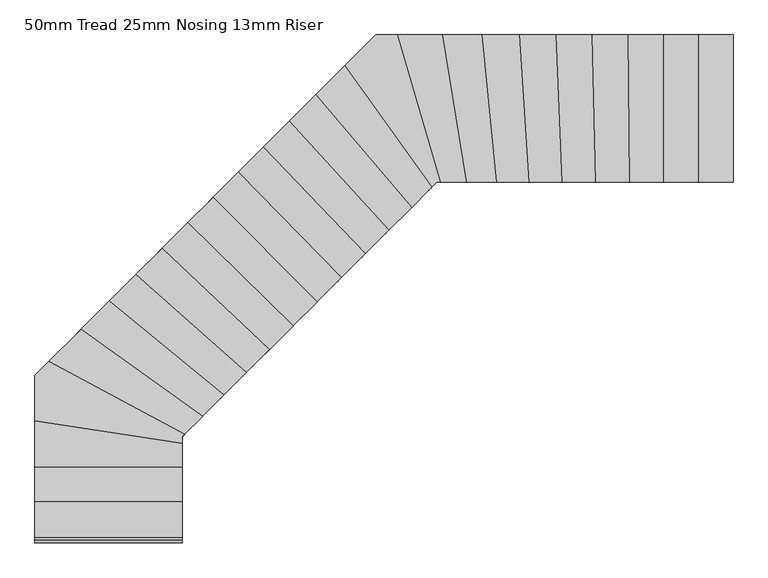
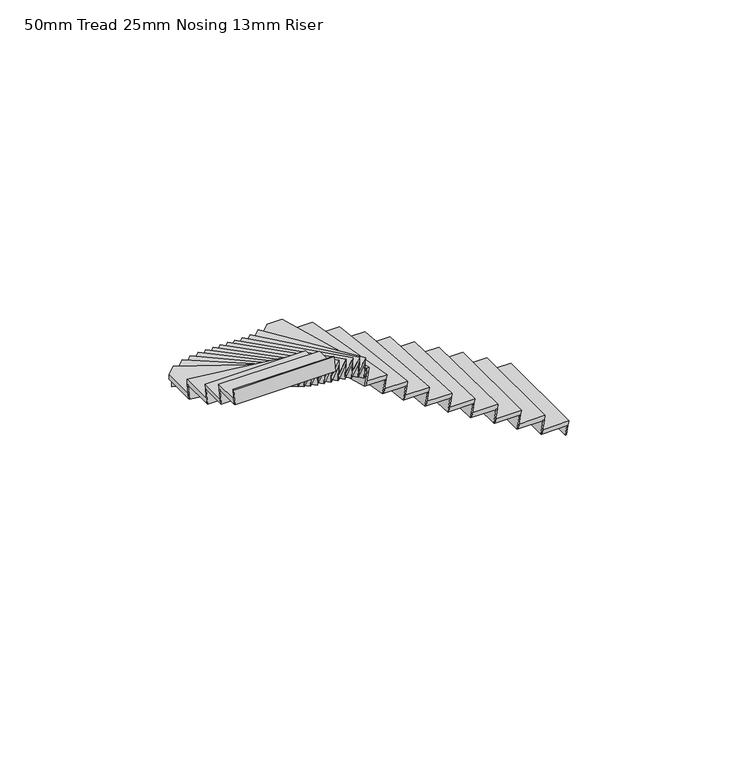
"""IFC4 building model written with IfcOpenShell, lengths in millimetres: stair flight geometry, 50mm Tread 25mm Nosing 13mm Riser."""

from ifc_helpers import new_model, si_unit, origin, place, context, project, spatial, faceted_brep, source, transform, mapped, element, save


def stair_flight_50mm_tread_25mm_nosing_13mm_riser_a0ecd1e4(model_context):
    return source(origin(), model_context, "Body", "Brep", [
        faceted_brep([(5084.2883148, -162.0, 153.8461538), (5076.1633148, -162.0, 103.8461538), (5076.1633148, -1262.0, 103.8461538), (5084.2883148, -1262.0, 153.8461538), (5369.2883148, -1262.0, 153.8461538), (5369.2883148, -162.0, 153.8461538), (5361.1633148, -162.0, 103.8461538), (5361.1633148, -1262.0, 103.8461538)], [[[0, 1, 2, 3]], [[3, 4, 5, 0]], [[2, 1, 6, 7]], [[0, 5, 6, 1]], [[4, 3, 2, 7]], [[5, 4, 7, 6]]]),
        faceted_brep([(5361.1633148, -162.0, 103.8461538), (5344.2883148, -162.0, 0.0), (5331.6243511, -162.0, 0.0), (5348.4993511, -162.0, 103.8461538), (5361.1633148, -1262.0, 103.8461538), (5348.4993511, -1262.0, 103.8461538), (5331.6243511, -1262.0, 0.0), (5344.2883148, -1262.0, 0.0)], [[[0, 1, 2, 3]], [[4, 5, 6, 7]], [[1, 0, 4, 7]], [[2, 1, 7, 6]], [[3, 2, 6, 5]], [[0, 3, 5, 4]]]),
        faceted_brep([(5101.1633148, -162.0, 257.6923077), (5076.1633148, -162.0, 103.8461538), (5063.4993511, -162.0, 103.8461538), (5088.4993511, -162.0, 257.6923077), (5101.1633148, -1262.0, 257.6923077), (5088.4993511, -1262.0, 257.6923077), (5063.4993511, -1262.0, 103.8461538), (5076.1633148, -1262.0, 103.8461538)], [[[0, 1, 2, 3]], [[4, 5, 6, 7]], [[1, 0, 4, 7]], [[2, 1, 7, 6]], [[3, 2, 6, 5]], [[0, 3, 5, 4]]]),
        faceted_brep([(4824.2883148, -1262.0, 307.6923077), (5109.2883148, -1262.0, 307.6923077), (5109.2883148, -162.0, 307.6923077), (4824.2883148, -162.0, 307.6923077), (4816.1633148, -1262.0, 257.6923077), (4816.1633148, -162.0, 257.6923077), (5101.1633148, -162.0, 257.6923077), (5101.1633148, -1262.0, 257.6923077)], [[[0, 1, 2, 3]], [[4, 5, 6, 7]], [[3, 2, 6, 5]], [[1, 0, 4, 7]], [[3, 5, 4, 0]], [[2, 1, 7, 6]]]),
        faceted_brep([(4841.1633148, -162.0, 411.5384615), (4816.1633148, -162.0, 257.6923077), (4803.4993511, -162.0, 257.6923077), (4828.4993511, -162.0, 411.5384615), (4841.1633148, -1262.0, 411.5384615), (4828.4993511, -1262.0, 411.5384615), (4803.4993511, -1262.0, 257.6923077), (4816.1633148, -1262.0, 257.6923077)], [[[0, 1, 2, 3]], [[4, 5, 6, 7]], [[1, 0, 4, 7]], [[2, 1, 7, 6]], [[3, 2, 6, 5]], [[0, 3, 5, 4]]]),
        faceted_brep([(4569.7584962, -1262.0, 461.5384615), (4849.2883148, -1262.0, 461.5384615), (4849.2883148, -162.0, 461.5384615), (4558.8156594, -162.0, 461.5384615), (4561.6330942, -1262.0, 411.5384615), (4550.6902573, -162.0, 411.5384615), (4841.1633148, -162.0, 411.5384615), (4841.1633148, -1262.0, 411.5384615)], [[[0, 1, 2, 3]], [[4, 5, 6, 7]], [[3, 2, 6, 5]], [[1, 0, 4, 7]], [[3, 5, 4, 0]], [[2, 1, 7, 6]]]),
        faceted_brep([(4575.6914943, -162.0, 565.3846154), (4550.6902573, -162.0, 411.5384615), (4538.025667, -162.0, 411.5384615), (4563.026904, -162.0, 565.3846154), (4586.6343312, -1262.0, 565.3846154), (4573.9697408, -1262.0, 565.3846154), (4548.9685038, -1262.0, 411.5384615), (4561.6330942, -1262.0, 411.5384615)], [[[0, 1, 2, 3]], [[4, 5, 6, 7]], [[1, 0, 4, 7]], [[2, 1, 7, 6]], [[3, 2, 6, 5]], [[0, 3, 5, 4]]]),
        faceted_brep([(4316.8090076, -1262.0, 615.3846154), (4594.7597332, -1262.0, 615.3846154), (4583.8168964, -162.0, 615.3846154), (4291.7546542, -162.0, 615.3846154), (4308.6819003, -1262.0, 565.3846154), (4283.627547, -162.0, 565.3846154), (4575.6914943, -162.0, 565.3846154), (4586.6343312, -1262.0, 565.3846154)], [[[0, 1, 2, 3]], [[4, 5, 6, 7]], [[3, 2, 6, 5]], [[1, 0, 4, 7]], [[3, 5, 4, 0]], [[2, 1, 7, 6]]]),
        faceted_brep([(4308.6340308, -162.0, 719.2307692), (4283.627547, -162.0, 565.3846154), (4270.9602988, -162.0, 565.3846154), (4295.9667827, -162.0, 719.2307692), (4333.6883842, -1262.0, 719.2307692), (4321.021136, -1262.0, 719.2307692), (4296.0146522, -1262.0, 565.3846154), (4308.6819003, -1262.0, 565.3846154)], [[[0, 1, 2, 3]], [[4, 5, 6, 7]], [[1, 0, 4, 7]], [[2, 1, 7, 6]], [[3, 2, 6, 5]], [[0, 3, 5, 4]]]),
        faceted_brep([(4066.2403075, -1262.0, 769.2307692), (4341.8154915, -1262.0, 769.2307692), (4316.7611381, -162.0, 769.2307692), (4022.2964399, -162.0, 769.2307692), (4058.1088267, -1262.0, 719.2307692), (4014.1649591, -162.0, 719.2307692), (4308.6340308, -162.0, 719.2307692), (4333.6883842, -1262.0, 719.2307692)], [[[0, 1, 2, 3]], [[4, 5, 6, 7]], [[3, 2, 6, 5]], [[1, 0, 4, 7]], [[3, 5, 4, 0]], [[2, 1, 7, 6]]]),
        faceted_brep([(4039.1849002, -162.0, 873.0769231), (4014.1649591, -162.0, 719.2307692), (4001.4908941, -162.0, 719.2307692), (4026.5108351, -162.0, 873.0769231), (4083.1287677, -1262.0, 873.0769231), (4070.4547027, -1262.0, 873.0769231), (4045.4347617, -1262.0, 719.2307692), (4058.1088267, -1262.0, 719.2307692)], [[[0, 1, 2, 3]], [[4, 5, 6, 7]], [[1, 0, 4, 7]], [[2, 1, 7, 6]], [[3, 2, 6, 5]], [[0, 3, 5, 4]]]),
        faceted_brep([(3819.5032673, -1262.0, 923.0769231), (4091.2602486, -1262.0, 923.0769231), (4047.316381, -162.0, 923.0769231), (3748.9706816, -162.0, 923.0769231), (3811.3615817, -1262.0, 873.0769231), (3740.828996, -162.0, 873.0769231), (4039.1849002, -162.0, 873.0769231), (4083.1287677, -1262.0, 873.0769231)], [[[0, 1, 2, 3]], [[4, 5, 6, 7]], [[3, 2, 6, 5]], [[1, 0, 4, 7]], [[3, 5, 4, 0]], [[2, 1, 7, 6]]]),
        faceted_brep([(3765.8803363, -162.0, 1026.9230769), (3740.828996, -162.0, 873.0769231), (3728.1390254, -162.0, 873.0769231), (3753.1903658, -162.0, 1026.9230769), (3836.412922, -1262.0, 1026.9230769), (3823.7229515, -1262.0, 1026.9230769), (3798.6716111, -1262.0, 873.0769231), (3811.3615817, -1262.0, 873.0769231)], [[[0, 1, 2, 3]], [[4, 5, 6, 7]], [[1, 0, 4, 7]], [[2, 1, 7, 6]], [[3, 2, 6, 5]], [[0, 3, 5, 4]]]),
        faceted_brep([(3579.5282392, -1262.0, 1076.9230769), (3844.5546076, -1262.0, 1076.9230769), (3774.0220219, -162.0, 1076.9230769), (3468.7956881, -162.0, 1076.9230769), (3571.362175, -1262.0, 1026.9230769), (3460.629624, -162.0, 1026.9230769), (3765.8803363, -162.0, 1026.9230769), (3836.412922, -1262.0, 1026.9230769)], [[[0, 1, 2, 3]], [[4, 5, 6, 7]], [[3, 2, 6, 5]], [[1, 0, 4, 7]], [[3, 5, 4, 0]], [[2, 1, 7, 6]]]),
        faceted_brep([(3485.7559751, -162.0, 1180.7692308), (3460.629624, -162.0, 1026.9230769), (3447.9016561, -162.0, 1026.9230769), (3473.0280072, -162.0, 1180.7692308), (3596.4885262, -1262.0, 1180.7692308), (3583.7605582, -1262.0, 1180.7692308), (3558.6342071, -1262.0, 1026.9230769), (3571.362175, -1262.0, 1026.9230769)], [[[0, 1, 2, 3]], [[4, 5, 6, 7]], [[1, 0, 4, 7]], [[2, 1, 7, 6]], [[3, 2, 6, 5]], [[0, 3, 5, 4]]]),
        faceted_brep([(3353.2564986, -1262.0, 1230.7692308), (3604.6545903, -1262.0, 1230.7692308), (3493.9220393, -162.0, 1230.7692308), (3174.6654344, -162.0, 1230.7692308), (3345.0251104, -1262.0, 1180.7692308), (3166.4340463, -162.0, 1180.7692308), (3485.7559751, -162.0, 1180.7692308), (3596.4885262, -1262.0, 1180.7692308)], [[[0, 1, 2, 3]], [[4, 5, 6, 7]], [[3, 2, 6, 5]], [[1, 0, 4, 7]], [[3, 5, 4, 0]], [[2, 1, 7, 6]]]),
        faceted_brep([(3191.7613945, -162.0, 1334.6153846), (3166.4340463, -162.0, 1180.7692308), (3153.6042615, -162.0, 1180.7692308), (3178.9316098, -162.0, 1334.6153846), (3370.3524587, -1262.0, 1334.6153846), (3357.5226739, -1262.0, 1334.6153846), (3332.1953256, -1262.0, 1180.7692308), (3345.0251104, -1262.0, 1180.7692308)], [[[0, 1, 2, 3]], [[4, 5, 6, 7]], [[1, 0, 4, 7]], [[2, 1, 7, 6]], [[3, 2, 6, 5]], [[0, 3, 5, 4]]]),
        faceted_brep([(3158.4330828, -1262.0, 1384.6153846), (3378.5838469, -1262.0, 1384.6153846), (3199.9927827, -162.0, 1384.6153846), (2840.1149307, -162.0, 1384.6153846), (3149.9747242, -1262.0, 1334.6153846), (2831.656572, -162.0, 1334.6153846), (3191.7613945, -162.0, 1334.6153846), (3370.3524587, -1262.0, 1334.6153846)], [[[0, 1, 2, 3]], [[4, 5, 6, 7]], [[3, 2, 6, 5]], [[3, 5, 4, 0]], [[2, 1, 7, 6]], [[1, 0, 4, 7]]]),
        faceted_brep([(2857.6822909, -162.0, 1488.4615385), (2831.656572, -162.0, 1334.6153846), (2818.4730217, -162.0, 1334.6153846), (2844.4987405, -162.0, 1488.4615385), (3176.000443, -1262.0, 1488.4615385), (3162.8168926, -1262.0, 1488.4615385), (3136.7911738, -1262.0, 1334.6153846), (3149.9747242, -1262.0, 1334.6153846)], [[[0, 1, 2, 3]], [[4, 5, 6, 7]], [[1, 0, 4, 7]], [[2, 1, 7, 6]], [[3, 2, 6, 5]], [[0, 3, 5, 4]]]),
        faceted_brep([(3104.4342692, -1316.3422159, 1538.4615385), (3158.776485, -1262.0, 1538.4615385), (3184.4588016, -1262.0, 1538.4615385), (2866.1406495, -162.0, 1538.4615385), (2703.1415664, -162.0, 1538.4615385), (2455.2346033, -409.9069631, 1538.4615385), (3098.6110101, -1322.1654749, 1488.4615385), (2449.4113443, -415.7302222, 1488.4615385), (2703.1415664, -162.0, 1488.4615385), (2857.6822909, -162.0, 1488.4615385), (3176.000443, -1262.0, 1488.4615385), (3158.776485, -1262.0, 1488.4615385)], [[[0, 1, 2, 3, 4, 5]], [[6, 7, 8, 9, 10, 11]], [[4, 3, 9, 8]], [[1, 0, 6, 11]], [[5, 7, 6, 0]], [[3, 2, 10, 9]], [[2, 1, 11, 10]], [[5, 4, 8, 7]]]),
        faceted_brep([(2467.3290645, -397.8125019, 1642.3076923), (2449.4113443, -415.7302222, 1488.4615385), (2440.3349699, -424.8065965, 1488.4615385), (2458.2526902, -406.8888763, 1642.3076923), (3116.5287303, -1304.2477547, 1642.3076923), (3107.452356, -1313.324129, 1642.3076923), (3089.5346357, -1331.2418493, 1488.4615385), (3098.6110101, -1322.1654749, 1488.4615385)], [[[0, 1, 2, 3]], [[4, 5, 6, 7]], [[1, 0, 4, 7]], [[2, 1, 7, 6]], [[3, 2, 6, 5]], [[0, 3, 5, 4]]]),
        faceted_brep([(2953.0261359, -1467.7503492, 1692.3076923), (3122.3519894, -1298.4244956, 1692.3076923), (2473.1523236, -391.9892428, 1692.3076923), (2238.9868342, -626.1547322, 1692.3076923), (2947.2616118, -1473.5148732, 1642.3076923), (2233.2223102, -631.9192562, 1642.3076923), (2467.3290645, -397.8125019, 1642.3076923), (3116.5287303, -1304.2477547, 1642.3076923)], [[[0, 1, 2, 3]], [[4, 5, 6, 7]], [[3, 2, 6, 5]], [[1, 0, 4, 7]], [[3, 5, 4, 0]], [[2, 1, 7, 6]]]),
        faceted_brep([(2250.9593072, -614.1822593, 1796.1538462), (2233.2223102, -631.9192562, 1642.3076923), (2224.2374828, -640.9040836, 1642.3076923), (2241.9744798, -623.1670867, 1796.1538462), (2964.9986088, -1455.7778762, 1796.1538462), (2956.0137814, -1464.7627037, 1796.1538462), (2938.2767844, -1482.4997006, 1642.3076923), (2947.2616118, -1473.5148732, 1642.3076923)], [[[0, 1, 2, 3]], [[4, 5, 6, 7]], [[1, 0, 4, 7]], [[2, 1, 7, 6]], [[3, 2, 6, 5]], [[0, 3, 5, 4]]]),
        faceted_brep([(2783.4773275, -1637.2991575, 1846.1538462), (2970.7631328, -1450.0133522, 1846.1538462), (2256.7238312, -608.4177352, 1846.1538462), (2040.9224571, -824.2191093, 1846.1538462), (2777.7261839, -1643.0503012, 1796.1538462), (2035.1713135, -829.9702529, 1796.1538462), (2250.9593072, -614.1822593, 1796.1538462), (2964.9986088, -1455.7778762, 1796.1538462)], [[[0, 1, 2, 3]], [[4, 5, 6, 7]], [[3, 2, 6, 5]], [[1, 0, 4, 7]], [[3, 5, 4, 0]], [[2, 1, 7, 6]]]),
        faceted_brep([(2052.86714, -812.2744264, 1950.0), (2035.1713135, -829.9702529, 1796.1538462), (2026.2073413, -838.9342252, 1796.1538462), (2043.9031678, -821.2383986, 1950.0), (2795.4220104, -1625.3544746, 1950.0), (2786.4580382, -1634.3184468, 1950.0), (2768.7622117, -1652.0142734, 1796.1538462), (2777.7261839, -1643.0503012, 1796.1538462)], [[[0, 1, 2, 3]], [[4, 5, 6, 7]], [[1, 0, 4, 7]], [[2, 1, 7, 6]], [[3, 2, 6, 5]], [[0, 3, 5, 4]]]),
        faceted_brep([(2607.661717, -1813.1147681, 2000.0), (2801.1731541, -1619.603331, 2000.0), (2058.6182837, -806.5232827, 2000.0), (1849.068059, -1016.0735074, 2000.0), (2601.9147199, -1818.8617651, 1950.0), (1843.321062, -1021.8205044, 1950.0), (2052.86714, -812.2744264, 1950.0), (2795.4220104, -1625.3544746, 1950.0)], [[[0, 1, 2, 3]], [[4, 5, 6, 7]], [[3, 2, 6, 5]], [[1, 0, 4, 7]], [[3, 5, 4, 0]], [[2, 1, 7, 6]]]),
        faceted_brep([(1861.0041298, -1004.1374366, 2103.8461538), (1843.321062, -1021.8205044, 1950.0), (1834.3635529, -1030.7780135, 1950.0), (1852.0466207, -1013.0949458, 2103.8461538), (2619.5977877, -1801.1786973, 2103.8461538), (2610.6402786, -1810.1362065, 2103.8461538), (2592.9572108, -1827.8192742, 1950.0), (2601.9147199, -1818.8617651, 1950.0)], [[[0, 1, 2, 3]], [[4, 5, 6, 7]], [[1, 0, 4, 7]], [[2, 1, 7, 6]], [[3, 2, 6, 5]], [[0, 3, 5, 4]]]),
        faceted_brep([(2428.9585897, -1991.8178953, 2153.8461538), (2625.3447847, -1795.4317003, 2153.8461538), (1866.7511268, -998.3904396, 2153.8461538), (1660.0841197, -1205.0574467, 2153.8461538), (2423.2129674, -1997.5635176, 2103.8461538), (1654.3384974, -1210.803069, 2103.8461538), (1861.0041298, -1004.1374366, 2103.8461538), (2619.5977877, -1801.1786973, 2103.8461538)], [[[0, 1, 2, 3]], [[4, 5, 6, 7]], [[3, 2, 6, 5]], [[1, 0, 4, 7]], [[3, 5, 4, 0]], [[2, 1, 7, 6]]]),
        faceted_brep([(1672.0173353, -1193.1242311, 2257.6923077), (1654.3384974, -1210.803069, 2103.8461538), (1645.3831309, -1219.7584355, 2103.8461538), (1663.0619689, -1202.0795976, 2257.6923077), (2440.8918053, -1979.8846797, 2257.6923077), (2431.9364389, -1988.8400462, 2257.6923077), (2414.257601, -2006.5188841, 2103.8461538), (2423.2129674, -1997.5635176, 2103.8461538)], [[[0, 1, 2, 3]], [[4, 5, 6, 7]], [[1, 0, 4, 7]], [[2, 1, 7, 6]], [[3, 2, 6, 5]], [[0, 3, 5, 4]]]),
        faceted_brep([(2248.6877764, -2172.0887087, 2307.6923077), (2446.6374277, -1974.1390574, 2307.6923077), (1677.7629576, -1187.3786088, 2307.6923077), (1472.6616499, -1392.4799165, 2307.6923077), (2242.9425186, -2177.8339665, 2257.6923077), (1466.9163921, -1398.2251744, 2257.6923077), (1672.0173353, -1193.1242311, 2257.6923077), (2440.8918053, -1979.8846797, 2257.6923077)], [[[0, 1, 2, 3]], [[4, 5, 6, 7]], [[3, 2, 6, 5]], [[1, 0, 4, 7]], [[3, 5, 4, 0]], [[2, 1, 7, 6]]]),
        faceted_brep([(1484.5941085, -1380.5474579, 2411.5384615), (1466.9163921, -1398.2251744, 2257.6923077), (1457.9615937, -1407.1799727, 2257.6923077), (1475.6393101, -1389.5022563, 2411.5384615), (2260.620235, -2160.1562501, 2411.5384615), (2251.6654366, -2169.1110484, 2411.5384615), (2233.9877202, -2186.7887648, 2257.6923077), (2242.9425186, -2177.8339665, 2257.6923077)], [[[0, 1, 2, 3]], [[4, 5, 6, 7]], [[1, 0, 4, 7]], [[2, 1, 7, 6]], [[3, 2, 6, 5]], [[0, 3, 5, 4]]]),
        faceted_brep([(2069.8043704, -2350.9721147, 2461.5384615), (2266.3654928, -2154.4109922, 2461.5384615), (1490.3393663, -1374.8022001, 2461.5384615), (1283.8476878, -1581.2938786, 2461.5384615), (2064.0588132, -2356.7176718, 2411.5384615), (1278.1021307, -1587.0394357, 2411.5384615), (1484.5941085, -1380.5474579, 2411.5384615), (2260.620235, -2160.1562501, 2411.5384615)], [[[0, 1, 2, 3]], [[4, 5, 6, 7]], [[3, 2, 6, 5]], [[1, 0, 4, 7]], [[3, 5, 4, 0]], [[2, 1, 7, 6]]]),
        faceted_brep([(1295.7807681, -1569.3607984, 2565.3846154), (1278.1021307, -1587.0394357, 2411.5384615), (1269.1468658, -1595.9947006, 2411.5384615), (1286.8255032, -1578.3160632, 2565.3846154), (2081.7374506, -2339.0390345, 2565.3846154), (2072.7821857, -2347.9942993, 2565.3846154), (2055.1035483, -2365.6729367, 2411.5384615), (2064.0588132, -2356.7176718, 2411.5384615)], [[[0, 1, 2, 3]], [[4, 5, 6, 7]], [[1, 0, 4, 7]], [[2, 1, 7, 6]], [[3, 2, 6, 5]], [[0, 3, 5, 4]]]),
        faceted_brep([(1893.5005308, -2527.2759542, 2615.3846154), (2087.4830077, -2333.2934773, 2615.3846154), (1301.5263252, -1563.6152412, 2615.3846154), (1092.4421578, -1772.6994086, 2615.3846154), (1887.7527241, -2533.0237609, 2565.3846154), (1086.6943511, -1778.4472153, 2565.3846154), (1295.7807681, -1569.3607984, 2565.3846154), (2081.7374506, -2339.0390345, 2565.3846154)], [[[0, 1, 2, 3]], [[4, 5, 6, 7]], [[3, 2, 6, 5]], [[1, 0, 4, 7]], [[3, 5, 4, 0]], [[2, 1, 7, 6]]]),
        faceted_brep([(1104.3799102, -1760.7616563, 2719.2307692), (1086.6943511, -1778.4472153, 2565.3846154), (1077.73558, -1787.4059864, 2565.3846154), (1095.4211391, -1769.7204274, 2719.2307692), (1905.4382831, -2515.3382019, 2719.2307692), (1896.479512, -2524.296973, 2719.2307692), (1878.793953, -2541.982532, 2565.3846154), (1887.7527241, -2533.0237609, 2565.3846154)], [[[0, 1, 2, 3]], [[4, 5, 6, 7]], [[1, 0, 4, 7]], [[2, 1, 7, 6]], [[3, 2, 6, 5]], [[0, 3, 5, 4]]]),
        faceted_brep([(1720.1989225, -2700.5775626, 2769.2307692), (1911.1860898, -2509.5903952, 2769.2307692), (1110.1277168, -1755.0138496, 2769.2307692), (898.006529, -1967.1350375, 2769.2307692), (1714.4443377, -2706.3321473, 2719.2307692), (892.2519442, -1972.8896222, 2719.2307692), (1104.3799102, -1760.7616563, 2719.2307692), (1905.4382831, -2515.3382019, 2719.2307692)], [[[0, 1, 2, 3]], [[4, 5, 6, 7]], [[3, 2, 6, 5]], [[1, 0, 4, 7]], [[3, 5, 4, 0]], [[2, 1, 7, 6]]]),
        faceted_brep([(909.9583588, -1955.1832077, 2873.0769231), (892.2519442, -1972.8896222, 2719.2307692), (883.2826086, -1981.8589578, 2719.2307692), (900.9890231, -1964.1525433, 2873.0769231), (1732.1507523, -2688.6257328, 2873.0769231), (1723.1814166, -2697.5950684, 2873.0769231), (1705.4750021, -2715.3014829, 2719.2307692), (1714.4443377, -2706.3321473, 2719.2307692)], [[[0, 1, 2, 3]], [[4, 5, 6, 7]], [[1, 0, 4, 7]], [[2, 1, 7, 6]], [[3, 2, 6, 5]], [[0, 3, 5, 4]]]),
        faceted_brep([(1552.1369854, -2868.6394996, 2923.0769231), (1737.905337, -2682.8711481, 2923.0769231), (915.7129435, -1949.4286229, 2923.0769231), (698.2618048, -2166.8797616, 2923.0769231), (1546.3643413, -2874.4121438, 2873.0769231), (692.4891607, -2172.6524057, 2873.0769231), (909.9583588, -1955.1832077, 2873.0769231), (1732.1507523, -2688.6257328, 2873.0769231)], [[[0, 1, 2, 3]], [[4, 5, 6, 7]], [[3, 2, 6, 5]], [[1, 0, 4, 7]], [[3, 5, 4, 0]], [[2, 1, 7, 6]]]),
        faceted_brep([(710.2511427, -2154.8904237, 3026.9230769), (692.4891607, -2172.6524057, 2873.0769231), (683.4916769, -2181.6498896, 2873.0769231), (701.2536589, -2163.8879076, 3026.9230769), (1564.1263233, -2856.6501618, 3026.9230769), (1555.1288394, -2865.6476456, 3026.9230769), (1537.3668574, -2883.4096276, 2873.0769231), (1546.3643413, -2874.4121438, 2873.0769231)], [[[0, 1, 2, 3]], [[4, 5, 6, 7]], [[1, 0, 4, 7]], [[2, 1, 7, 6]], [[3, 2, 6, 5]], [[0, 3, 5, 4]]]),
        faceted_brep([(1394.5107825, -3026.2657026, 3076.9230769), (1569.8989674, -2850.8775176, 3076.9230769), (716.0237868, -2149.1177796, 3076.9230769), (487.8795507, -2377.2620157, 3076.9230769), (1388.6872871, -3032.089198, 3026.9230769), (482.0560553, -2383.0855112, 3026.9230769), (710.2511427, -2154.8904237, 3026.9230769), (1564.1263233, -2856.6501618, 3026.9230769)], [[[0, 1, 2, 3]], [[4, 5, 6, 7]], [[3, 2, 6, 5]], [[1, 0, 4, 7]], [[3, 5, 4, 0]], [[2, 1, 7, 6]]]),
        faceted_brep([(499.9745027, -2365.1670637, 3180.7692308), (482.0560553, -2383.0855112, 3026.9230769), (472.9793126, -2392.1622539, 3026.9230769), (490.89776, -2374.2438064, 3180.7692308), (1406.6057345, -3014.1707505, 3180.7692308), (1397.5289918, -3023.2474932, 3180.7692308), (1379.6105444, -3041.1659407, 3026.9230769), (1388.6872871, -3032.089198, 3026.9230769)], [[[0, 1, 2, 3]], [[4, 5, 6, 7]], [[1, 0, 4, 7]], [[2, 1, 7, 6]], [[3, 2, 6, 5]], [[0, 3, 5, 4]]]),
        faceted_brep([(1262.0, -3162.1136605, 3230.7692308), (1262.0, -3158.776485, 3230.7692308), (1412.4292299, -3008.3472551, 3230.7692308), (505.7979981, -2359.3435683, 3230.7692308), (247.1219023, -2618.0196641, 3230.7692308), (1262.0, -3171.3326611, 3180.7692308), (241.1204082, -2624.0211582, 3180.7692308), (499.9745027, -2365.1670637, 3180.7692308), (1406.6057345, -3014.1707505, 3180.7692308), (1262.0, -3158.776485, 3180.7692308)], [[[0, 1, 2, 3, 4]], [[5, 6, 7, 8, 9]], [[4, 3, 7, 6]], [[1, 0, 5, 9]], [[4, 6, 5, 0]], [[3, 2, 8, 7]], [[2, 1, 9, 8]]]),
        faceted_brep([(259.5865439, -2605.5550226, 3334.6153846), (241.1204082, -2624.0211582, 3180.7692308), (231.7662293, -2633.3753371, 3180.7692308), (250.232365, -2614.9092014, 3334.6153846), (1272.2921676, -3148.4843174, 3334.6153846), (1262.9379888, -3157.8384963, 3334.6153846), (1244.4718531, -3176.3046319, 3180.7692308), (1253.826032, -3166.9504531, 3180.7692308)], [[[0, 1, 2, 3]], [[4, 5, 6, 7]], [[1, 0, 4, 7]], [[2, 1, 7, 6]], [[3, 2, 6, 5]], [[0, 3, 5, 4]]]),
        faceted_brep([(1262.0, -3237.906215, 3384.6153846), (1262.0, -3158.776485, 3384.6153846), (1278.2936617, -3142.4828233, 3384.6153846), (265.5880379, -2599.5535285, 3384.6153846), (162.0, -2703.1415664, 3384.6153846), (162.0, -3069.5087016, 3384.6153846), (1262.0, -3246.1258729, 3334.6153846), (162.0, -3077.7283595, 3334.6153846), (162.0, -2703.1415664, 3334.6153846), (259.5865439, -2605.5550226, 3334.6153846), (1272.2921676, -3148.4843174, 3334.6153846), (1262.0, -3158.776485, 3334.6153846)], [[[0, 1, 2, 3, 4, 5]], [[6, 7, 8, 9, 10, 11]], [[4, 3, 9, 8]], [[1, 0, 6, 11]], [[5, 7, 6, 0]], [[3, 2, 10, 9]], [[2, 1, 11, 10]], [[5, 4, 8, 7]]]),
        faceted_brep([(162.0, -3052.4371044, 3488.4615385), (162.0, -3077.7283595, 3334.6153846), (162.0, -3090.539861, 3334.6153846), (162.0, -3065.2486059, 3488.4615385), (1262.0, -3220.8346179, 3488.4615385), (1262.0, -3233.6461193, 3488.4615385), (1262.0, -3258.9373744, 3334.6153846), (1262.0, -3246.1258729, 3334.6153846)], [[[0, 1, 2, 3]], [[4, 5, 6, 7]], [[1, 0, 4, 7]], [[2, 1, 7, 6]], [[3, 2, 6, 5]], [[0, 3, 5, 4]]]),
        faceted_brep([(1262.0, -3413.542177, 3538.4615385), (1262.0, -3212.6149599, 3538.4615385), (162.0, -3044.2174465, 3538.4615385), (162.0, -3413.542177, 3538.4615385), (1262.0, -3421.667177, 3488.4615385), (162.0, -3421.667177, 3488.4615385), (162.0, -3052.4371044, 3488.4615385), (1262.0, -3220.8346179, 3488.4615385)], [[[0, 1, 2, 3]], [[4, 5, 6, 7]], [[3, 2, 6, 5]], [[1, 0, 4, 7]], [[3, 5, 4, 0]], [[2, 1, 7, 6]]]),
        faceted_brep([(162.0, -3396.667177, 3642.3076923), (162.0, -3421.667177, 3488.4615385), (162.0, -3434.3311407, 3488.4615385), (162.0, -3409.3311407, 3642.3076923), (1262.0, -3396.667177, 3642.3076923), (1262.0, -3409.3311407, 3642.3076923), (1262.0, -3434.3311407, 3488.4615385), (1262.0, -3421.667177, 3488.4615385)], [[[0, 1, 2, 3]], [[4, 5, 6, 7]], [[1, 0, 4, 7]], [[2, 1, 7, 6]], [[3, 2, 6, 5]], [[0, 3, 5, 4]]]),
        faceted_brep([(1262.0, -3673.542177, 3692.3076923), (1262.0, -3388.542177, 3692.3076923), (162.0, -3388.542177, 3692.3076923), (162.0, -3673.542177, 3692.3076923), (1262.0, -3681.667177, 3642.3076923), (162.0, -3681.667177, 3642.3076923), (162.0, -3396.667177, 3642.3076923), (1262.0, -3396.667177, 3642.3076923)], [[[0, 1, 2, 3]], [[4, 5, 6, 7]], [[3, 2, 6, 5]], [[1, 0, 4, 7]], [[3, 5, 4, 0]], [[2, 1, 7, 6]]]),
        faceted_brep([(162.0, -3656.667177, 3796.1538462), (162.0, -3681.667177, 3642.3076923), (162.0, -3694.3311407, 3642.3076923), (162.0, -3669.3311407, 3796.1538462), (1262.0, -3656.667177, 3796.1538462), (1262.0, -3669.3311407, 3796.1538462), (1262.0, -3694.3311407, 3642.3076923), (1262.0, -3681.667177, 3642.3076923)], [[[0, 1, 2, 3]], [[4, 5, 6, 7]], [[1, 0, 4, 7]], [[2, 1, 7, 6]], [[3, 2, 6, 5]], [[0, 3, 5, 4]]]),
        faceted_brep([(162.0, -3916.667177, 3950.0), (162.0, -3941.667177, 3796.1538462), (162.0, -3954.3311407, 3796.1538462), (162.0, -3929.3311407, 3950.0), (1262.0, -3916.667177, 3950.0), (1262.0, -3929.3311407, 3950.0), (1262.0, -3954.3311407, 3796.1538462), (1262.0, -3941.667177, 3796.1538462)], [[[0, 1, 2, 3]], [[4, 5, 6, 7]], [[1, 0, 4, 7]], [[2, 1, 7, 6]], [[3, 2, 6, 5]], [[0, 3, 5, 4]]]),
        faceted_brep([(1262.0, -3933.542177, 3846.1538462), (1262.0, -3648.542177, 3846.1538462), (162.0, -3648.542177, 3846.1538462), (162.0, -3933.542177, 3846.1538462), (1262.0, -3941.667177, 3796.1538462), (162.0, -3941.667177, 3796.1538462), (162.0, -3656.667177, 3796.1538462), (1262.0, -3656.667177, 3796.1538462)], [[[0, 1, 2, 3]], [[4, 5, 6, 7]], [[3, 2, 6, 5]], [[1, 0, 4, 7]], [[3, 5, 4, 0]], [[2, 1, 7, 6]]]),
    ])


if __name__ == "__main__":
    model = new_model("IFC4")
    model_context = context("Model", 3, world=origin())
    ifc_project = project(units=[si_unit("LENGTHUNIT", "METRE", prefix="MILLI")], contexts=[model_context])
    site = spatial("IfcSite", under=ifc_project)
    building = spatial("IfcBuilding", under=site)
    placement = place(None, origin())
    stair_flight_50mm_tread_25mm_nosing_13mm_riser_shape = stair_flight_50mm_tread_25mm_nosing_13mm_riser_a0ecd1e4(model_context)
    element("IfcStairFlight", 1, ObjectType="50mm Tread 25mm Nosing 13mm Riser", at=placement, inside=building, context=model_context, shape_type="MappedRepresentation", body=[
        mapped(stair_flight_50mm_tread_25mm_nosing_13mm_riser_shape, transform((0.0, 0.0, 0.0), x_axis=(1.0, 0.0, 0.0), y_axis=(0.0, 1.0, 0.0), z_axis=(0.0, 0.0, 1.0))),
    ])
    save(model, "model.ifc")
